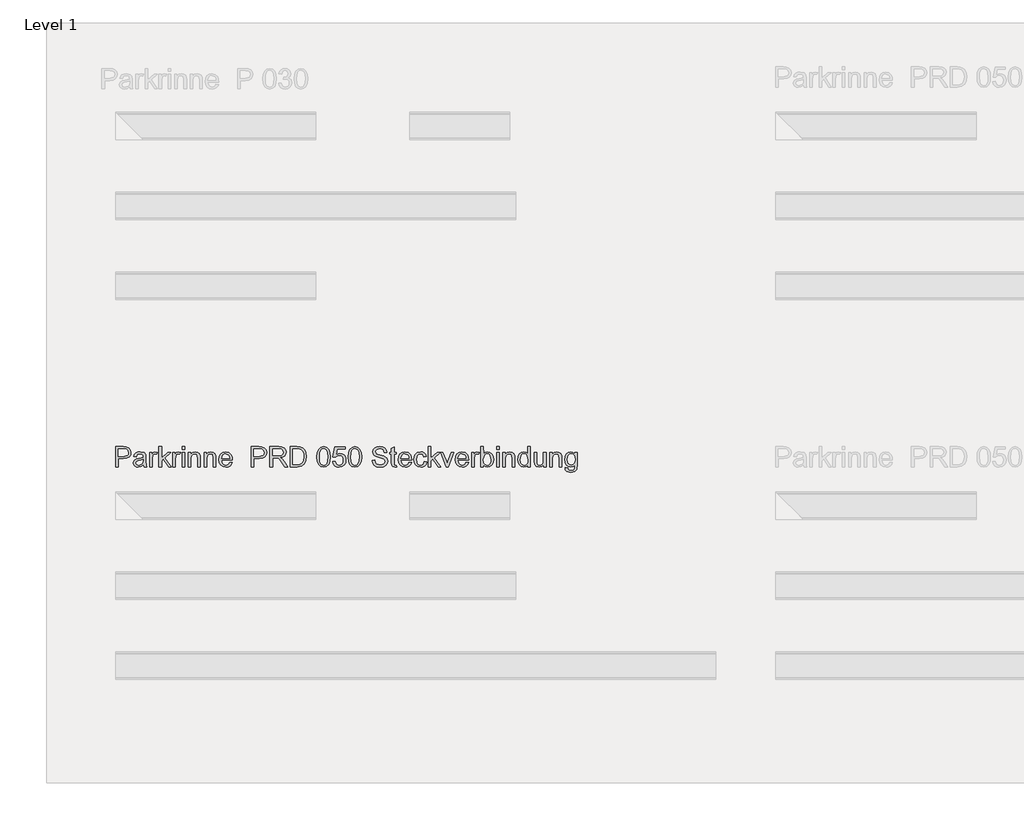
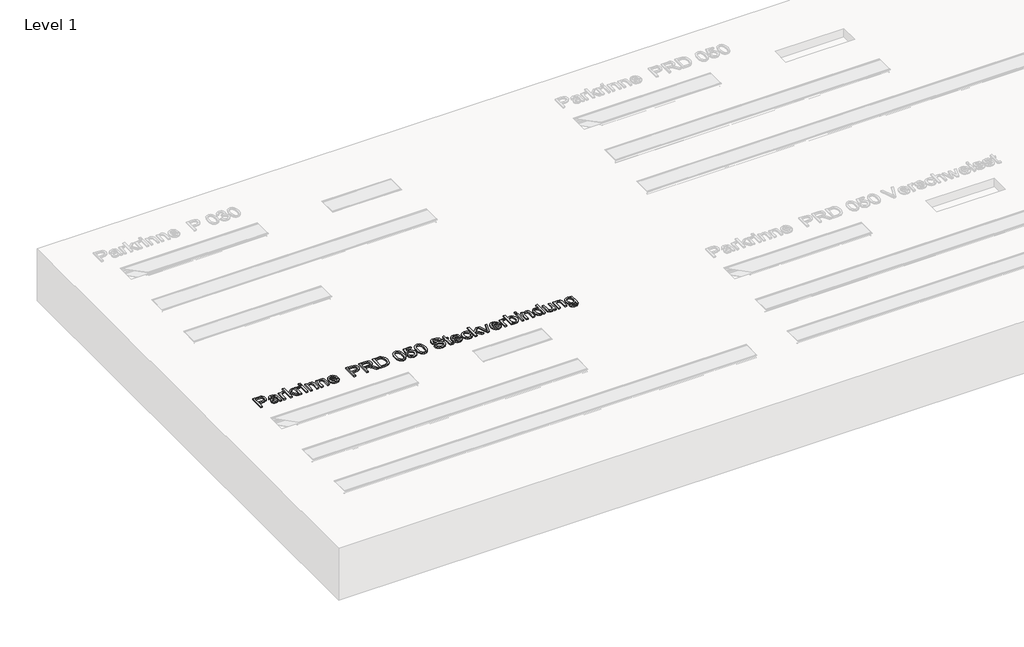
# One storey, part 2 of 4: 1 proxy.
"""IFC4 building model written with IfcOpenShell, lengths in millimetres."""

from ifc_helpers import new_model, si_unit, origin, origin_with_axes, place, context, project, spatial, polyline, outline, extrude, element, save

model = new_model("IFC4")

# Units and contexts
model_context = context("Model", 3, world=origin())
ifc_project = project(units=[si_unit("LENGTHUNIT", "METRE", prefix="MILLI")], contexts=[model_context])

# Site, building, storey
site = spatial("IfcSite", under=ifc_project)
building = spatial("IfcBuilding", under=site)
storey = spatial("IfcBuildingStorey", under=building, Name="Level 1", Elevation=0.0)

# Proxy
placement = place(None, origin())
element("IfcBuildingElementProxy", 1, Name="100mm ACO", ObjectType="100mm ACO", at=placement, inside=storey, context=model_context, shape_type="SweptSolid", body=[
    extrude(outline(polyline([(-15151.3859098, 10264.8419023), (-15113.6085192, 10264.8419023), (-15098.2123407, 10263.9542209), (-15086.2213662, 10259.3411883), (-15077.8538779, 10249.2274415), (-15075.016208, 10235.8540124), (-15077.2536016, 10223.3500745), (-15083.9657824, 10213.6037697), (-15095.6111433, 10207.3281534), (-15112.648077, 10205.2362814), (-15138.3471802, 10205.2362814), (-15138.3471802, 10164.257417), (-15151.3859098, 10164.257417), (-15151.3859098, 10264.8419023)]), holes=[polyline([(-15138.3471802, 10216.4123353), (-15112.1241995, 10216.4123353), (-15094.072253, 10221.1781656), (-15089.5592664, 10227.1354534), (-15088.0549375, 10235.4756564), (-15091.1836506, 10246.520741), (-15098.8671876, 10252.4871239), (-15112.4152426, 10253.6658484), (-15138.3471802, 10253.6658484), (-15138.3471802, 10216.4123353)])]), origin_with_axes(), (0.0, 0.0, 1.0), 10.0),
    extrude(outline(polyline([(-14996.7838305, 10164.257417), (-15009.8225601, 10164.257417), (-15013.5479114, 10173.0469177), (-15026.113696, 10165.0577854), (-15039.6544748, 10162.3947413), (-15049.6990988, 10163.8499567), (-15057.3644457, 10168.2156028), (-15062.221227, 10174.967802), (-15063.840154, 10183.5826769), (-15062.2539693, 10191.9392511), (-15057.4954151, 10198.6732601), (-15048.8150555, 10203.5955261), (-15035.4634546, 10206.5168709), (-15024.0545662, 10208.2631293), (-15013.5479114, 10210.8243083), (-15013.8826109, 10218.9007536), (-15015.8325995, 10223.8048293), (-15021.0277183, 10227.8939844), (-15030.6612439, 10229.4510649), (-15042.8122922, 10226.2932476), (-15048.9387488, 10214.5496596), (-15061.9774784, 10216.1503965), (-15058.4012866, 10226.0167566), (-15051.6891058, 10233.0891033), (-15041.848212, 10237.3456082), (-15028.8858812, 10238.7644431), (-15009.5169648, 10234.8790182), (-15001.9207407, 10225.5074313), (-15000.5091818, 10211.3772902), (-15000.5091818, 10194.7587308), (-14999.9562, 10174.3857159), (-14996.7838305, 10164.257417)]), holes=[polyline([(-15013.5479114, 10196.8542409), (-15013.5479114, 10201.5109301), (-15036.9623264, 10196.1557376), (-15047.34165, 10192.0738585), (-15050.8014245, 10183.786407), (-15047.0760732, 10175.1133235), (-15036.3365838, 10171.7081196), (-15020.43108, 10177.4125638), (-15015.2687035, 10185.1252052), (-15013.5479114, 10196.8542409)])]), origin_with_axes(), (0.0, 0.0, 1.0), 10.0),
    extrude(outline(polyline([(-14942.7662365, 10235.9122211), (-14946.8408395, 10227.5883892), (-14955.3975058, 10229.4510649), (-14961.2256433, 10227.8139476), (-14965.4384918, 10222.9025958), (-14968.8436957, 10204.5668823), (-14968.8436957, 10164.257417), (-14981.8824253, 10164.257417), (-14981.8824253, 10236.9017675), (-14970.7063713, 10236.9017675), (-14970.7063713, 10226.1331739), (-14963.7358898, 10235.6066258), (-14955.2519843, 10238.7644431), (-14942.7662365, 10235.9122211)])), origin_with_axes(), (0.0, 0.0, 1.0), 10.0),
    extrude(outline(polyline([(-14873.8472373, 10164.257417), (-14886.798654, 10164.257417), (-14913.0216347, 10202.4422679), (-14922.2768043, 10194.0602275), (-14922.2768043, 10164.257417), (-14935.3155339, 10164.257417), (-14935.3155339, 10264.8419023), (-14922.2768043, 10264.8419023), (-14922.2768043, 10208.5250681), (-14891.1351957, 10236.9017675), (-14875.2442441, 10236.9017675), (-14905.1052631, 10209.7183447), (-14873.8472373, 10164.257417)])), origin_with_axes(), (0.0, 0.0, 1.0), 10.0),
    extrude(outline(polyline([(-14827.280346, 10235.9122211), (-14831.354949, 10227.5883892), (-14839.9116153, 10229.4510649), (-14845.7397527, 10227.8139476), (-14849.9526012, 10222.9025958), (-14853.3578051, 10204.5668823), (-14853.3578051, 10164.257417), (-14866.3965347, 10164.257417), (-14866.3965347, 10236.9017675), (-14855.2204808, 10236.9017675), (-14855.2204808, 10226.1331739), (-14848.2499992, 10235.6066258), (-14839.7660937, 10238.7644431), (-14827.280346, 10235.9122211)])), origin_with_axes(), (0.0, 0.0, 1.0), 10.0),
    extrude(outline(polyline([(-14806.7909138, 10164.257417), (-14819.8296434, 10164.257417), (-14819.8296434, 10236.9017675), (-14806.7909138, 10236.9017675), (-14806.7909138, 10164.257417)])), origin_with_axes(), (0.0, 0.0, 1.0), 10.0),
    extrude(outline(polyline([(-14806.7909138, 10251.8031727), (-14819.8296434, 10251.8031727), (-14819.8296434, 10264.8419023), (-14806.7909138, 10264.8419023), (-14806.7909138, 10251.8031727)])), origin_with_axes(), (0.0, 0.0, 1.0), 10.0),
    extrude(outline(polyline([(-14728.5585363, 10164.257417), (-14741.5972659, 10164.257417), (-14741.5972659, 10209.4855102), (-14745.4826909, 10225.1727317), (-14756.294941, 10229.4510649), (-14766.3795834, 10226.71526), (-14773.1317826, 10219.0026186), (-14775.1254277, 10204.916134), (-14775.1254277, 10164.257417), (-14788.1641572, 10164.257417), (-14788.1641572, 10236.9017675), (-14776.9881033, 10236.9017675), (-14776.9881033, 10226.8025729), (-14767.0344303, 10235.7812517), (-14753.7046576, 10238.7644431), (-14742.2666649, 10236.6980373), (-14733.4189556, 10230.5133721), (-14729.3880091, 10221.7238713), (-14728.5585363, 10209.1071542), (-14728.5585363, 10164.257417)])), origin_with_axes(), (0.0, 0.0, 1.0), 10.0),
    extrude(outline(polyline([(-14650.3261588, 10164.257417), (-14663.3648884, 10164.257417), (-14663.3648884, 10209.4855102), (-14667.2503134, 10225.1727317), (-14678.0625635, 10229.4510649), (-14688.1472059, 10226.71526), (-14694.8994052, 10219.0026186), (-14696.8930502, 10204.916134), (-14696.8930502, 10164.257417), (-14709.9317798, 10164.257417), (-14709.9317798, 10236.9017675), (-14698.7557258, 10236.9017675), (-14698.7557258, 10226.8025729), (-14688.8020528, 10235.7812517), (-14675.4722802, 10238.7644431), (-14664.0342875, 10236.6980373), (-14655.1865781, 10230.5133721), (-14651.1556316, 10221.7238713), (-14650.3261588, 10209.1071542), (-14650.3261588, 10164.257417)])), origin_with_axes(), (0.0, 0.0, 1.0), 10.0),
    extrude(outline(polyline([(-14568.3684301, 10197.7855788), (-14622.386024, 10197.7855788), (-14620.301428, 10186.5949727), (-14615.561064, 10178.4021102), (-14608.739742, 10173.3816173), (-14600.4122722, 10171.7081196), (-14588.6686843, 10175.4189188), (-14581.4071596, 10186.6095248), (-14568.3684301, 10185.0961009), (-14572.7704565, 10175.4189188), (-14579.7482141, 10168.2738114), (-14589.0470402, 10163.8645088), (-14600.4122722, 10162.3947413), (-14615.084481, 10164.9159019), (-14626.1550318, 10172.4793837), (-14633.1073232, 10184.4085116), (-14635.4247536, 10200.0266104), (-14633.190998, 10215.6556233), (-14626.4897313, 10228.0249538), (-14615.7284138, 10236.0795708), (-14601.3145057, 10238.7644431), (-14586.0056402, 10235.2864785), (-14573.5053403, 10223.4410255), (-14569.6526576, 10212.8434196), (-14568.3684301, 10197.7855788)]), holes=[polyline([(-14581.4071596, 10207.098957), (-14583.5026697, 10217.3145688), (-14588.2757761, 10224.2122896), (-14601.6346531, 10229.4510649), (-14609.5364724, 10227.8939844), (-14615.8957635, 10223.2227432), (-14622.386024, 10207.098957), (-14581.4071596, 10207.098957)])]), origin_with_axes(), (0.0, 0.0, 1.0), 10.0),
    extrude(outline(polyline([(-14473.3719717, 10264.8419023), (-14435.5945811, 10264.8419023), (-14420.1984026, 10263.9542209), (-14408.2074281, 10259.3411883), (-14399.8399398, 10249.2274415), (-14397.0022699, 10235.8540124), (-14399.2396635, 10223.3500745), (-14405.9518443, 10213.6037697), (-14417.5972052, 10207.3281534), (-14434.634139, 10205.2362814), (-14460.3332421, 10205.2362814), (-14460.3332421, 10164.257417), (-14473.3719717, 10164.257417), (-14473.3719717, 10264.8419023)]), holes=[polyline([(-14460.3332421, 10216.4123353), (-14434.1102614, 10216.4123353), (-14416.058315, 10221.1781656), (-14411.5453283, 10227.1354534), (-14410.0409995, 10235.4756564), (-14413.1697125, 10246.520741), (-14420.8532495, 10252.4871239), (-14434.4013045, 10253.6658484), (-14460.3332421, 10253.6658484), (-14460.3332421, 10216.4123353)])]), origin_with_axes(), (0.0, 0.0, 1.0), 10.0),
    extrude(outline(polyline([(-14292.2267643, 10164.257417), (-14307.3318997, 10164.257417), (-14326.1914907, 10194.2930619), (-14333.991445, 10203.4754708), (-14341.762295, 10208.0157427), (-14351.3958207, 10208.9616327), (-14367.1994594, 10208.9616327), (-14367.1994594, 10164.257417), (-14380.238189, 10164.257417), (-14380.238189, 10264.8419023), (-14335.8541207, 10264.8419023), (-14320.5889116, 10263.6922822), (-14309.7912137, 10258.8609672), (-14302.6461063, 10249.5766932), (-14300.1431359, 10237.7748967), (-14301.9694311, 10227.664788), (-14307.448317, 10219.7447785), (-14316.3687871, 10214.1676656), (-14328.5198353, 10211.0862471), (-14318.8062728, 10203.5555076), (-14309.6893486, 10191.8191958), (-14292.2267643, 10164.257417)]), holes=[polyline([(-14367.1994594, 10220.1376866), (-14338.2697782, 10220.1376866), (-14324.4015758, 10221.6220063), (-14316.2378177, 10227.3992112), (-14313.1818655, 10237.047289), (-14318.260567, 10248.8199813), (-14324.9873, 10252.4543816), (-14335.0100958, 10253.6658484), (-14367.1994594, 10253.6658484), (-14367.1994594, 10220.1376866)])]), origin_with_axes(), (0.0, 0.0, 1.0), 10.0),
    extrude(outline(polyline([(-14279.6537037, 10264.8419023), (-14245.4270385, 10264.8419023), (-14229.9435472, 10263.9105645), (-14217.5451123, 10259.3848447), (-14207.1985312, 10249.4748282), (-14200.2280496, 10234.9663311), (-14197.6959749, 10215.1026415), (-14200.3008104, 10194.8496818), (-14208.1153168, 10178.5621839), (-14222.2818383, 10167.8336087), (-14243.9427189, 10164.257417), (-14279.6537037, 10164.257417), (-14279.6537037, 10264.8419023)]), holes=[polyline([(-14266.6149741, 10175.4334709), (-14245.1650998, 10175.4334709), (-14233.4506162, 10176.2774958), (-14222.9876178, 10180.8323199), (-14214.2126692, 10192.9979202), (-14210.7347045, 10215.3936846), (-14212.0735026, 10229.7712123), (-14216.9921305, 10241.9513648), (-14225.2140973, 10249.9987057), (-14234.2655368, 10253.1128665), (-14245.5725601, 10253.6658484), (-14266.6149741, 10253.6658484), (-14266.6149741, 10175.4334709)])]), origin_with_axes(), (0.0, 0.0, 1.0), 10.0),
    extrude(outline(polyline([(-14112.0419991, 10264.8419023), (-14097.3606952, 10261.6367905), (-14086.8740496, 10252.021455), (-14080.5820622, 10235.9958959), (-14078.484733, 10213.5601132), (-14080.6530039, 10190.9569807), (-14087.1578166, 10175.0114585), (-14097.715404, 10165.5489206), (-14112.0419991, 10162.3947413), (-14126.6978368, 10165.5925771), (-14137.1662922, 10175.1860843), (-14143.4473655, 10191.175263), (-14145.5410566, 10213.5601132), (-14143.3727857, 10236.1596077), (-14136.8679731, 10252.1524244), (-14126.3249378, 10261.6695328), (-14112.0419991, 10264.8419023)]), holes=[polyline([(-14112.0128948, 10171.7081196), (-14103.121529, 10174.1565194), (-14096.7040293, 10181.5017189), (-14092.8186043, 10194.4131172), (-14091.5234626, 10213.5601132), (-14093.7935986, 10237.9204182), (-14100.6476629, 10251.162878), (-14112.1584163, 10255.528524), (-14121.031592, 10253.0364677), (-14127.3945211, 10245.5602989), (-14131.2253755, 10232.5761399), (-14132.502327, 10213.5601132), (-14130.1885346, 10189.3598819), (-14123.3344703, 10176.0737657), (-14112.0128948, 10171.7081196)])]), origin_with_axes(), (0.0, 0.0, 1.0), 10.0),
    extrude(outline(polyline([(-14049.7878862, 10226.71526), (-14030.9865039, 10231.3137405), (-14019.4320939, 10229.0763469), (-14009.4493166, 10222.3641661), (-14002.5515958, 10211.926634), (-14000.2523556, 10198.5131864), (-14002.6352707, 10184.5940516), (-14009.7840161, 10172.9305005), (-14020.7963583, 10165.0286811), (-14034.7700638, 10162.3947413), (-14046.5791364, 10164.2137605), (-14056.685607, 10169.6708181), (-14063.9689599, 10178.6931533), (-14067.3086791, 10191.2080054), (-14054.2699495, 10192.1975518), (-14047.4595417, 10176.7868212), (-14034.6245422, 10171.7081196), (-14026.0096673, 10173.5926235), (-14019.1992595, 10179.2461351), (-14014.7681287, 10187.6572799), (-14013.2910851, 10197.8146831), (-14014.7717668, 10207.8411169), (-14019.2138116, 10215.5101018), (-14025.9914772, 10220.3777971), (-14034.4790207, 10222.0003623), (-14044.8838105, 10219.6356373), (-14052.5818997, 10212.5414625), (-14065.4460035, 10214.0548864), (-14055.6960606, 10262.9792267), (-14003.9777069, 10262.9792267), (-14003.9777069, 10253.6658484), (-14044.3744851, 10253.6658484), (-14049.7878862, 10226.71526)])), origin_with_axes(), (0.0, 0.0, 1.0), 10.0),
    extrude(outline(polyline([(-13955.5772442, 10264.8419023), (-13940.8959403, 10261.6367905), (-13930.4092946, 10252.021455), (-13924.1173072, 10235.9958959), (-13922.0199781, 10213.5601132), (-13924.188249, 10190.9569807), (-13930.6930616, 10175.0114585), (-13941.250649, 10165.5489206), (-13955.5772442, 10162.3947413), (-13970.2330818, 10165.5925771), (-13980.7015373, 10175.1860843), (-13986.9826106, 10191.175263), (-13989.0763016, 10213.5601132), (-13986.9080308, 10236.1596077), (-13980.4032181, 10252.1524244), (-13969.8601829, 10261.6695328), (-13955.5772442, 10264.8419023)]), holes=[polyline([(-13955.5481399, 10171.7081196), (-13946.6567741, 10174.1565194), (-13940.2392743, 10181.5017189), (-13936.3538493, 10194.4131172), (-13935.0587077, 10213.5601132), (-13937.3288436, 10237.9204182), (-13944.182908, 10251.162878), (-13955.6936614, 10255.528524), (-13964.566837, 10253.0364677), (-13970.9297662, 10245.5602989), (-13974.7606206, 10232.5761399), (-13976.0375721, 10213.5601132), (-13973.7237797, 10189.3598819), (-13966.8697153, 10176.0737657), (-13955.5481399, 10171.7081196)])]), origin_with_axes(), (0.0, 0.0, 1.0), 10.0),
    extrude(outline(polyline([(-13808.3967632, 10235.0390918), (-13810.4195125, 10243.9850282), (-13814.916128, 10250.3916138), (-13821.8866095, 10254.2442965), (-13831.3309572, 10255.528524), (-13847.047283, 10251.5266818), (-13851.5875549, 10246.6116919), (-13853.1009789, 10239.8704068), (-13848.5898113, 10229.7566601), (-13830.3123064, 10223.4264733), (-13810.3613039, 10217.9112071), (-13797.1333964, 10208.9325284), (-13793.0078608, 10201.8092492), (-13791.6326823, 10192.6050121), (-13794.1538429, 10180.6977125), (-13801.7173247, 10170.9950641), (-13813.3335813, 10164.544822), (-13828.0130662, 10162.3947413), (-13846.101393, 10164.7812945), (-13858.9800489, 10171.9409541), (-13866.8382118, 10182.8987257), (-13869.8650598, 10196.6796151), (-13856.8263302, 10197.7855788), (-13854.1814763, 10186.8459973), (-13847.9349644, 10179.3480002), (-13839.0472366, 10175.0150965), (-13828.4787351, 10173.5707953), (-13811.2489853, 10178.3293495), (-13806.3158052, 10183.9355666), (-13804.6714119, 10191.2371097), (-13806.3703758, 10198.6077754), (-13811.4672676, 10203.6646488), (-13834.8816827, 10211.1590079), (-13849.1755355, 10215.5246539), (-13858.8199752, 10221.4328283), (-13864.3097752, 10229.1054512), (-13866.1397085, 10238.7644431), (-13863.8441063, 10249.8240798), (-13856.9572996, 10258.7882064), (-13846.1123072, 10264.7254851), (-13831.9421476, 10266.704578), (-13817.2954051, 10264.7109329), (-13805.8355842, 10258.7299978), (-13798.2830165, 10249.08192), (-13795.3580336, 10236.0868469), (-13808.3967632, 10235.0390918)])), origin_with_axes(), (0.0, 0.0, 1.0), 10.0),
    extrude(outline(polyline([(-13746.9284666, 10163.2387662), (-13756.067219, 10162.3947413), (-13767.723494, 10165.2906199), (-13772.1910052, 10172.6394574), (-13773.0059258, 10185.0378923), (-13773.0059258, 10227.5883892), (-13782.319304, 10227.5883892), (-13782.319304, 10236.9017675), (-13773.0059258, 10236.9017675), (-13773.0059258, 10255.3538982), (-13759.9671962, 10262.9792267), (-13759.9671962, 10236.9017675), (-13748.7911423, 10236.9017675), (-13748.7911423, 10227.5883892), (-13759.9671962, 10227.5883892), (-13759.9671962, 10182.4185046), (-13758.9194411, 10174.1528814), (-13753.5933529, 10171.7081196), (-13748.5292035, 10171.7081196), (-13746.9284666, 10163.2387662)])), origin_with_axes(), (0.0, 0.0, 1.0), 10.0),
    extrude(outline(polyline([(-13672.4214405, 10197.7855788), (-13726.4390344, 10197.7855788), (-13724.3544384, 10186.5949727), (-13719.6140744, 10178.4021102), (-13712.7927524, 10173.3816173), (-13704.4652826, 10171.7081196), (-13692.7216947, 10175.4189188), (-13685.46017, 10186.6095248), (-13672.4214405, 10185.0961009), (-13676.8234669, 10175.4189188), (-13683.8012245, 10168.2738114), (-13693.1000506, 10163.8645088), (-13704.4652826, 10162.3947413), (-13719.1374914, 10164.9159019), (-13730.2080422, 10172.4793837), (-13737.1603335, 10184.4085116), (-13739.477764, 10200.0266104), (-13737.2440084, 10215.6556233), (-13730.5427417, 10228.0249538), (-13719.7814242, 10236.0795708), (-13705.3675161, 10238.7644431), (-13690.0586506, 10235.2864785), (-13677.5583507, 10223.4410255), (-13673.705668, 10212.8434196), (-13672.4214405, 10197.7855788)]), holes=[polyline([(-13685.46017, 10207.098957), (-13687.5556801, 10217.3145688), (-13692.3287865, 10224.2122896), (-13705.6876635, 10229.4510649), (-13713.5894828, 10227.8939844), (-13719.9487739, 10223.2227432), (-13726.4390344, 10207.098957), (-13685.46017, 10207.098957)])]), origin_with_axes(), (0.0, 0.0, 1.0), 10.0),
    extrude(outline(polyline([(-13596.0517386, 10188.8505565), (-13600.1045134, 10176.9759992), (-13607.3151055, 10168.7685846), (-13616.6939684, 10163.9882021), (-13627.2515558, 10162.3947413), (-13641.6509118, 10164.9995768), (-13652.3685729, 10172.8140833), (-13659.0261831, 10184.9287511), (-13661.2453865, 10200.4340707), (-13656.1812371, 10223.2518475), (-13643.5063114, 10235.2864785), (-13627.5134946, 10238.7644431), (-13616.9013366, 10237.3419701), (-13607.9408481, 10233.0745511), (-13601.3669127, 10226.049499), (-13597.9144143, 10216.3541267), (-13610.9531439, 10214.5496596), (-13616.8904225, 10225.7111614), (-13627.3679731, 10229.4510649), (-13636.3757561, 10227.5556469), (-13642.9096731, 10221.8693929), (-13646.882411, 10212.785211), (-13648.206657, 10200.6960095), (-13646.8787729, 10188.3958017), (-13642.8951209, 10179.2606873), (-13636.4084985, 10173.5962615), (-13627.5717032, 10171.7081196), (-13614.8967775, 10176.3648087), (-13609.0904682, 10190.3348761), (-13596.0517386, 10188.8505565)])), origin_with_axes(), (0.0, 0.0, 1.0), 10.0),
    extrude(outline(polyline([(-13527.1327394, 10164.257417), (-13540.0841561, 10164.257417), (-13566.3071368, 10202.4422679), (-13575.5623064, 10194.0602275), (-13575.5623064, 10164.257417), (-13588.601036, 10164.257417), (-13588.601036, 10264.8419023), (-13575.5623064, 10264.8419023), (-13575.5623064, 10208.5250681), (-13544.4206979, 10236.9017675), (-13528.5297462, 10236.9017675), (-13558.3907653, 10209.7183447), (-13527.1327394, 10164.257417)])), origin_with_axes(), (0.0, 0.0, 1.0), 10.0),
    extrude(outline(polyline([(-13461.9390915, 10236.9017675), (-13487.9292378, 10164.257417), (-13499.1635003, 10164.257417), (-13527.1327394, 10236.9017675), (-13515.3745994, 10236.9017675), (-13499.8037951, 10194.8460437), (-13494.5359155, 10178.664049), (-13490.5195211, 10190.4512934), (-13473.7263359, 10236.9017675), (-13461.9390915, 10236.9017675)])), origin_with_axes(), (0.0, 0.0, 1.0), 10.0),
    extrude(outline(polyline([(-13387.4320654, 10197.7855788), (-13441.4496594, 10197.7855788), (-13439.3650634, 10186.5949727), (-13434.6246993, 10178.4021102), (-13427.8033774, 10173.3816173), (-13419.4759075, 10171.7081196), (-13407.7323196, 10175.4189188), (-13400.470795, 10186.6095248), (-13387.4320654, 10185.0961009), (-13391.8340918, 10175.4189188), (-13398.8118495, 10168.2738114), (-13408.1106756, 10163.8645088), (-13419.4759075, 10162.3947413), (-13434.1481163, 10164.9159019), (-13445.2186671, 10172.4793837), (-13452.1709585, 10184.4085116), (-13454.4883889, 10200.0266104), (-13452.2546334, 10215.6556233), (-13445.5533667, 10228.0249538), (-13434.7920491, 10236.0795708), (-13420.378141, 10238.7644431), (-13405.0692755, 10235.2864785), (-13392.5689756, 10223.4410255), (-13388.7162929, 10212.8434196), (-13387.4320654, 10197.7855788)]), holes=[polyline([(-13400.470795, 10207.098957), (-13402.5663051, 10217.3145688), (-13407.3394114, 10224.2122896), (-13420.6982884, 10229.4510649), (-13428.6001078, 10227.8939844), (-13434.9593989, 10223.2227432), (-13441.4496594, 10207.098957), (-13400.470795, 10207.098957)])]), origin_with_axes(), (0.0, 0.0, 1.0), 10.0),
    extrude(outline(polyline([(-13333.4144714, 10235.9122211), (-13337.4890744, 10227.5883892), (-13346.0457407, 10229.4510649), (-13351.8738782, 10227.8139476), (-13356.0867266, 10222.9025958), (-13359.4919306, 10204.5668823), (-13359.4919306, 10164.257417), (-13372.5306601, 10164.257417), (-13372.5306601, 10236.9017675), (-13361.3546062, 10236.9017675), (-13361.3546062, 10226.1331739), (-13354.3841247, 10235.6066258), (-13345.9002192, 10238.7644431), (-13333.4144714, 10235.9122211)])), origin_with_axes(), (0.0, 0.0, 1.0), 10.0),
    extrude(outline(polyline([(-13312.7504134, 10229.7130036), (-13304.3392686, 10236.5015833), (-13293.192319, 10238.7644431), (-13280.6956572, 10236.2032641), (-13270.9711805, 10228.5197271), (-13264.7173926, 10216.7033784), (-13262.6327966, 10201.7437645), (-13264.9247607, 10184.9105609), (-13271.8006533, 10172.5375924), (-13281.7470502, 10164.9304541), (-13293.2505276, 10162.3947413), (-13304.3319926, 10164.8831596), (-13312.6631005, 10172.3484144), (-13312.9250392, 10164.257417), (-13325.9637688, 10164.257417), (-13325.9637688, 10264.8419023), (-13312.9250392, 10264.8419023), (-13312.7504134, 10229.7130036)]), holes=[polyline([(-13294.4729085, 10171.7081196), (-13287.0112918, 10173.6108137), (-13280.9830622, 10179.3188959), (-13276.9994101, 10188.4685625), (-13275.6715261, 10200.6960095), (-13280.5610497, 10221.694767), (-13286.3819111, 10227.5119904), (-13294.0654482, 10229.4510649), (-13301.7344331, 10227.4501438), (-13307.7444726, 10221.4473804), (-13312.9250392, 10201.1907827), (-13310.7713205, 10184.1356587), (-13304.28106, 10175.3898145), (-13294.4729085, 10171.7081196)])]), origin_with_axes(), (0.0, 0.0, 1.0), 10.0),
    extrude(outline(polyline([(-13234.6926617, 10164.257417), (-13247.7313913, 10164.257417), (-13247.7313913, 10236.9017675), (-13234.6926617, 10236.9017675), (-13234.6926617, 10164.257417)])), origin_with_axes(), (0.0, 0.0, 1.0), 10.0),
    extrude(outline(polyline([(-13234.6926617, 10251.8031727), (-13247.7313913, 10251.8031727), (-13247.7313913, 10264.8419023), (-13234.6926617, 10264.8419023), (-13234.6926617, 10251.8031727)])), origin_with_axes(), (0.0, 0.0, 1.0), 10.0),
    extrude(outline(polyline([(-13156.4602843, 10164.257417), (-13169.4990139, 10164.257417), (-13169.4990139, 10209.4855102), (-13173.3844389, 10225.1727317), (-13184.1966889, 10229.4510649), (-13194.2813313, 10226.71526), (-13201.0335306, 10219.0026186), (-13203.0271756, 10204.916134), (-13203.0271756, 10164.257417), (-13216.0659052, 10164.257417), (-13216.0659052, 10236.9017675), (-13204.8898513, 10236.9017675), (-13204.8898513, 10226.8025729), (-13194.9361783, 10235.7812517), (-13181.6064056, 10238.7644431), (-13170.1684129, 10236.6980373), (-13161.3207036, 10230.5133721), (-13157.289757, 10221.7238713), (-13156.4602843, 10209.1071542), (-13156.4602843, 10164.257417)])), origin_with_axes(), (0.0, 0.0, 1.0), 10.0),
    extrude(outline(polyline([(-13078.2279068, 10164.257417), (-13091.2666364, 10164.257417), (-13091.2666364, 10172.4648316), (-13099.6705051, 10164.9122639), (-13111.1157738, 10162.3947413), (-13123.0521778, 10165.0505094), (-13132.8421391, 10173.0178134), (-13139.3796941, 10185.2197942), (-13141.558879, 10200.5795922), (-13139.470645, 10216.4123353), (-13133.2059429, 10228.5197271), (-13123.5142086, 10236.2032641), (-13111.1448781, 10238.7644431), (-13099.7941984, 10236.4652029), (-13091.5285752, 10229.5674821), (-13091.2666364, 10264.8419023), (-13078.2279068, 10264.8419023), (-13078.2279068, 10164.257417)]), holes=[polyline([(-13109.6023499, 10171.7081196), (-13102.508175, 10173.4252737), (-13096.5927246, 10178.5767361), (-13092.5981584, 10187.2207153), (-13091.2666364, 10199.41542), (-13096.1416078, 10221.3018589), (-13102.0752484, 10227.4137634), (-13110.1262274, 10229.4510649), (-13118.1189977, 10227.4574198), (-13123.8780125, 10221.4764847), (-13128.5201495, 10200.5504879), (-13126.0171791, 10184.7031927), (-13119.0321454, 10174.967802), (-13109.6023499, 10171.7081196)])]), origin_with_axes(), (0.0, 0.0, 1.0), 10.0),
    extrude(outline(polyline([(-12999.9955293, 10164.257417), (-13011.1715833, 10164.257417), (-13011.1715833, 10174.8222805), (-13021.474508, 10165.5016261), (-13034.5132376, 10162.3947413), (-13048.7161394, 10165.9309146), (-13057.4183272, 10175.6663054), (-13059.6011503, 10191.7609872), (-13059.6011503, 10236.9017675), (-13046.5624207, 10236.9017675), (-13046.5624207, 10195.6900686), (-13045.6601872, 10181.5162711), (-13040.9452894, 10174.4730288), (-13031.8647456, 10171.7081196), (-13019.0442983, 10176.6558518), (-13014.5367688, 10184.252076), (-13013.0342589, 10197.145284), (-13013.0342589, 10236.9017675), (-12999.9955293, 10236.9017675), (-12999.9955293, 10164.257417)])), origin_with_axes(), (0.0, 0.0, 1.0), 10.0),
    extrude(outline(polyline([(-12921.7631519, 10164.257417), (-12934.8018814, 10164.257417), (-12934.8018814, 10209.4855102), (-12938.6873064, 10225.1727317), (-12949.4995565, 10229.4510649), (-12959.5841989, 10226.71526), (-12966.3363982, 10219.0026186), (-12968.3300432, 10204.916134), (-12968.3300432, 10164.257417), (-12981.3687728, 10164.257417), (-12981.3687728, 10236.9017675), (-12970.1927189, 10236.9017675), (-12970.1927189, 10226.8025729), (-12960.2390458, 10235.7812517), (-12946.9092732, 10238.7644431), (-12935.4712805, 10236.6980373), (-12926.6235712, 10230.5133721), (-12922.5926246, 10221.7238713), (-12921.7631519, 10209.1071542), (-12921.7631519, 10164.257417)])), origin_with_axes(), (0.0, 0.0, 1.0), 10.0),
    extrude(outline(polyline([(-12843.5307744, 10174.967802), (-12846.6012788, 10152.1936817), (-12857.5299461, 10140.4937502), (-12876.3022242, 10136.3172822), (-12887.5837812, 10137.7324791), (-12896.8062085, 10141.9780699), (-12902.9508554, 10149.4469627), (-12904.999071, 10160.5320657), (-12891.9603414, 10158.4656599), (-12887.3618609, 10148.8466864), (-12876.098494, 10145.6306604), (-12862.7105128, 10149.3414596), (-12857.515394, 10158.378347), (-12856.569504, 10173.076022), (-12865.3953851, 10166.4620682), (-12876.2731199, 10164.257417), (-12888.7370394, 10166.8840807), (-12898.4797062, 10174.7640718), (-12904.7662365, 10186.6459052), (-12906.8617466, 10201.2780956), (-12904.8681016, 10216.004875), (-12898.8871665, 10228.0540581), (-12889.3846102, 10236.0868469), (-12876.8261017, 10238.7644431), (-12865.6864282, 10236.3706139), (-12856.8314427, 10229.1891261), (-12856.569504, 10236.9017675), (-12843.5307744, 10236.9017675), (-12843.5307744, 10174.967802)]), holes=[polyline([(-12874.3231313, 10173.5707953), (-12867.0688828, 10175.1860843), (-12860.6732113, 10180.0319514), (-12856.1984241, 10188.6759306), (-12854.7068283, 10201.6855559), (-12856.1293013, 10213.541923), (-12860.3967204, 10222.2768532), (-12866.7596495, 10227.657512), (-12874.4686528, 10229.4510649), (-12882.2358648, 10227.6138555), (-12888.4241681, 10222.1022273), (-12892.4733048, 10213.3964015), (-12893.8230171, 10201.976599), (-12892.4078201, 10189.185256), (-12888.1622293, 10180.3812031), (-12881.872061, 10175.2733972), (-12874.3231313, 10173.5707953)])]), origin_with_axes(), (0.0, 0.0, 1.0), 10.0),
])

save(model, "model.ifc")
